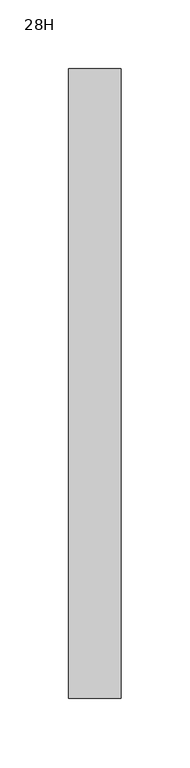
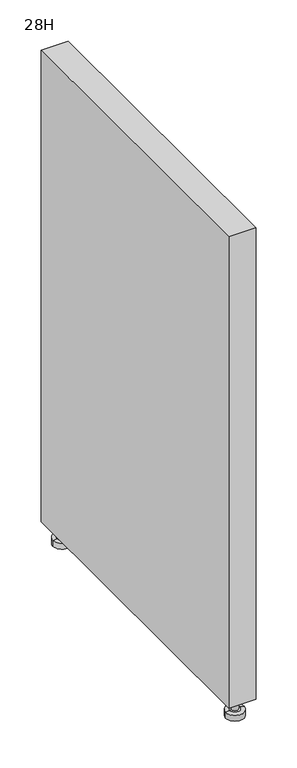
"""IFC4 building model written with IfcOpenShell, lengths in millimetres: furniture geometry, 28H."""

from ifc_helpers import new_model, si_unit, frame, origin, place, context, project, spatial, polyline, circle_curve, outline, extrude, source, transform, mapped, element, save
from ifc_brep_helpers import plane_surface, cylinder_surface, revolved_surface, advanced_brep


def furniture_28h_217a344e(model_context):
    return source(origin(), model_context, "Body", "SolidModel", [
        advanced_brep(
        [(-6.0325079, -210.4389992, 0.0), (-32.0674921, -210.4389992, 0.0), (-19.05, -210.4389992, 0.0), (-6.0325079, -210.4389992, 8.2595289), (-32.0674921, -210.4389992, 8.2595289), (-11.4299982, -210.4389992, 9.2755291), (-26.6700018, -210.4389992, 9.2755291), (-14.2875, -210.4389992, 9.2755291), (-23.8125, -210.4389992, 9.2755291), (-14.2875, -210.4389992, 27.4320011), (-23.8125, -210.4389992, 27.4320011), (-19.05, -210.4389992, 27.4320011)],
        [
            (0, 1, circle_curve(frame((-19.05, -210.4389992, 0.0), z_axis=(0.0, 0.0, -1.0), x_axis=(-1.0, 0.0, 0.0)), 13.0174921)),
            (1, 2),
            (2, 0),
            (1, 0, circle_curve(frame((-19.05, -210.4389992, 0.0), z_axis=(0.0, 0.0, -1.0), x_axis=(-1.0, 0.0, 0.0)), 13.0174921)),
            (0, 3),
            (3, 4, circle_curve(frame((-19.05, -210.4389992, 8.2595289), z_axis=(0.0, 0.0, -1.0), x_axis=(-1.0, 0.0, 0.0)), 13.0174921)),
            (4, 1),
            (4, 3, circle_curve(frame((-19.05, -210.4389992, 8.2595289), z_axis=(0.0, 0.0, -1.0), x_axis=(-1.0, 0.0, 0.0)), 13.0174921)),
            (3, 5),
            (5, 6, circle_curve(frame((-19.05, -210.4389992, 9.2755291), z_axis=(0.0, 0.0, -1.0), x_axis=(-1.0, 0.0, 0.0)), 7.6200018)),
            (6, 4),
            (6, 5, circle_curve(frame((-19.05, -210.4389992, 9.2755291), z_axis=(0.0, 0.0, -1.0), x_axis=(-1.0, 0.0, 0.0)), 7.6200018)),
            (5, 7),
            (7, 8, circle_curve(frame((-19.05, -210.4389992, 9.2755291), z_axis=(0.0, 0.0, -1.0), x_axis=(-1.0, 0.0, 0.0)), 4.7625)),
            (8, 6),
            (8, 7, circle_curve(frame((-19.05, -210.4389992, 9.2755291), z_axis=(0.0, 0.0, -1.0), x_axis=(-1.0, 0.0, 0.0)), 4.7625)),
            (7, 9),
            (9, 10, circle_curve(frame((-19.05, -210.4389992, 27.4320011), z_axis=(0.0, 0.0, -1.0), x_axis=(-1.0, 0.0, 0.0)), 4.7625)),
            (10, 8),
            (10, 9, circle_curve(frame((-19.05, -210.4389992, 27.4320011), z_axis=(0.0, 0.0, -1.0), x_axis=(-1.0, 0.0, 0.0)), 4.7625)),
            (9, 11),
            (11, 10),
        ],
        [
            plane_surface(frame((-19.05, -210.4389992, 0.0), z_axis=(0.0, 0.0, -1.0), x_axis=(-1.0, 0.0, 0.0))),
            cylinder_surface(frame((-19.05, -210.4389992, 27.4320011), z_axis=(0.0, 0.0, 1.0), x_axis=(-1.0, 0.0, 0.0)), 13.0174921),
            revolved_surface(polyline([(-32.0674921, -210.4389992, 8.2595289), (-26.6700018, -210.4389992, 9.2755291)]), (-19.05, -210.4389992, 27.4320011), (0.0, 0.0, 1.0)),
            plane_surface(frame((-19.05, -210.4389992, 9.2755291), z_axis=(0.0, 0.0, 1.0), x_axis=(-1.0, 0.0, 0.0))),
            cylinder_surface(frame((-19.05, -210.4389992, 27.4320011), z_axis=(0.0, 0.0, 1.0), x_axis=(-1.0, 0.0, 0.0)), 4.7625),
            plane_surface(frame((-19.05, -210.4389992, 27.4320011), z_axis=(0.0, 0.0, 1.0), x_axis=(-1.0, 0.0, 0.0))),
        ],
        [
            (0, [[1, 2, 3]]),
            (0, [[-2, 4, -3]]),
            (1, [[-1, 5, 6, 7]]),
            (1, [[-4, -7, 8, -5]]),
            (2, [[-6, 9, 10, 11]]),
            (2, [[-8, -11, 12, -9]]),
            (3, [[-10, 13, 14, 15]]),
            (3, [[-12, -15, 16, -13]]),
            (4, [[-14, 17, 18, 19]]),
            (4, [[-16, -19, 20, -17]]),
            (5, [[-18, 21, 22]]),
            (5, [[-20, -22, -21]]),
        ],
    ),
        advanced_brep(
        [(-19.05, 210.4389992, 0.0), (-32.0674921, 210.4389992, 0.0), (-6.0325079, 210.4389992, 0.0), (-32.0674921, 210.4389992, 8.2595289), (-6.0325079, 210.4389992, 8.2595289), (-26.6700018, 210.4389992, 9.2755291), (-11.4299982, 210.4389992, 9.2755291), (-23.8125, 210.4389992, 9.2755291), (-14.2875, 210.4389992, 9.2755291), (-23.8125, 210.4389992, 27.4320011), (-14.2875, 210.4389992, 27.4320011), (-19.05, 210.4389992, 27.4320011)],
        [
            (0, 1),
            (1, 2, circle_curve(frame((-19.05, 210.4389992, 0.0), z_axis=(0.0, 0.0, -1.0), x_axis=(-1.0, 0.0, 0.0)), 13.0174921)),
            (2, 0),
            (2, 1, circle_curve(frame((-19.05, 210.4389992, 0.0), z_axis=(0.0, 0.0, -1.0), x_axis=(-1.0, 0.0, 0.0)), 13.0174921)),
            (1, 3),
            (3, 4, circle_curve(frame((-19.05, 210.4389992, 8.2595289), z_axis=(0.0, 0.0, -1.0), x_axis=(-1.0, 0.0, 0.0)), 13.0174921)),
            (4, 2),
            (4, 3, circle_curve(frame((-19.05, 210.4389992, 8.2595289), z_axis=(0.0, 0.0, -1.0), x_axis=(-1.0, 0.0, 0.0)), 13.0174921)),
            (3, 5),
            (5, 6, circle_curve(frame((-19.05, 210.4389992, 9.2755291), z_axis=(0.0, 0.0, -1.0), x_axis=(-1.0, 0.0, 0.0)), 7.6200018)),
            (6, 4),
            (6, 5, circle_curve(frame((-19.05, 210.4389992, 9.2755291), z_axis=(0.0, 0.0, -1.0), x_axis=(-1.0, 0.0, 0.0)), 7.6200018)),
            (5, 7),
            (7, 8, circle_curve(frame((-19.05, 210.4389992, 9.2755291), z_axis=(0.0, 0.0, -1.0), x_axis=(-1.0, 0.0, 0.0)), 4.7625)),
            (8, 6),
            (8, 7, circle_curve(frame((-19.05, 210.4389992, 9.2755291), z_axis=(0.0, 0.0, -1.0), x_axis=(-1.0, 0.0, 0.0)), 4.7625)),
            (7, 9),
            (9, 10, circle_curve(frame((-19.05, 210.4389992, 27.4320011), z_axis=(0.0, 0.0, -1.0), x_axis=(-1.0, 0.0, 0.0)), 4.7625)),
            (10, 8),
            (10, 9, circle_curve(frame((-19.05, 210.4389992, 27.4320011), z_axis=(0.0, 0.0, -1.0), x_axis=(-1.0, 0.0, 0.0)), 4.7625)),
            (9, 11),
            (11, 10),
        ],
        [
            plane_surface(frame((-19.05, 210.4389992, 0.0), z_axis=(0.0, 0.0, -1.0), x_axis=(-1.0, 0.0, 0.0))),
            cylinder_surface(frame((-19.05, 210.4389992, 27.4320011), z_axis=(0.0, 0.0, -1.0), x_axis=(-1.0, 0.0, 0.0)), 13.0174921),
            revolved_surface(polyline([(-26.6700018, 210.4389992, 9.2755291), (-32.0674921, 210.4389992, 8.2595289)]), (-19.05, 210.4389992, 27.4320011), (0.0, 0.0, -1.0)),
            plane_surface(frame((-19.05, 210.4389992, 9.2755291), z_axis=(0.0, 0.0, 1.0), x_axis=(-1.0, 0.0, 0.0))),
            cylinder_surface(frame((-19.05, 210.4389992, 27.4320011), z_axis=(0.0, 0.0, -1.0), x_axis=(-1.0, 0.0, 0.0)), 4.7625),
            plane_surface(frame((-19.05, 210.4389992, 27.4320011), z_axis=(0.0, 0.0, 1.0), x_axis=(-1.0, 0.0, 0.0))),
        ],
        [
            (0, [[1, 2, 3]]),
            (0, [[-1, -3, 4]]),
            (1, [[-2, 5, 6, 7]]),
            (1, [[-4, -7, 8, -5]]),
            (2, [[-6, 9, 10, 11]]),
            (2, [[-8, -11, 12, -9]]),
            (3, [[-10, 13, 14, 15]]),
            (3, [[-12, -15, 16, -13]]),
            (4, [[-14, 17, 18, 19]]),
            (4, [[-16, -19, 20, -17]]),
            (5, [[-18, 21, 22]]),
            (5, [[-20, -22, -21]]),
        ],
    ),
        extrude(outline(polyline([(0.0, 228.6), (0.0, -228.6), (-38.1, -228.6), (-38.1, 228.6), (0.0, 228.6)])), frame((0.0, 0.0, 27.4320011), z_axis=(0.0, 0.0, 1.0), x_axis=(1.0, 0.0, 0.0)), (0.0, 0.0, 1.0), 699.7699989),
    ])


if __name__ == "__main__":
    model = new_model("IFC4")
    model_context = context("Model", 3, world=origin())
    ifc_project = project(units=[si_unit("LENGTHUNIT", "METRE", prefix="MILLI")], contexts=[model_context])
    site = spatial("IfcSite", under=ifc_project)
    building = spatial("IfcBuilding", under=site)
    placement = place(None, origin())
    furniture_28h_shape = furniture_28h_217a344e(model_context)
    element("IfcFurniture", 1, ObjectType="28H", at=placement, inside=building, context=model_context, shape_type="MappedRepresentation", body=[
        mapped(furniture_28h_shape, transform((0.0, 0.0, 0.0), x_axis=(1.0, 0.0, 0.0), y_axis=(0.0, 1.0, 0.0), z_axis=(0.0, 0.0, 1.0))),
    ])
    save(model, "model.ifc")
